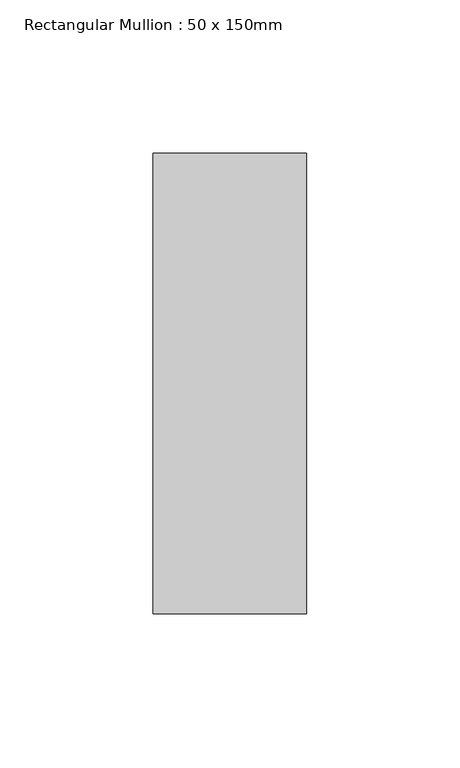
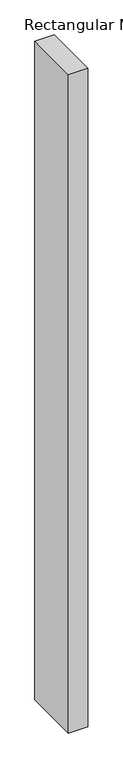
"""IFC4 building model written with IfcOpenShell, lengths in millimetres: member geometry, Rectangular Mullion : 50 x 150mm."""

from ifc_helpers import new_model, si_unit, frame, origin, place, context, project, spatial, polyline, outline, extrude, source, transform, mapped, element, save


def rectangular_mullion_50_x_150mm_d5f3ab73(model_context):
    return source(origin(), model_context, "Body", "SweptSolid", [
        extrude(outline(polyline([(0.0, 75.0), (0.0, -75.0), (-50.0, -75.0), (-50.0, 75.0), (0.0, 75.0)])), frame((0.0, 0.0, -1797.9678648), z_axis=(0.0, 0.0, 1.0), x_axis=(1.0, 0.0, 0.0)), (0.0, 0.0, 1.0), 1797.9678648),
    ])


if __name__ == "__main__":
    model = new_model("IFC4")
    model_context = context("Model", 3, world=origin())
    ifc_project = project(units=[si_unit("LENGTHUNIT", "METRE", prefix="MILLI")], contexts=[model_context])
    site = spatial("IfcSite", under=ifc_project)
    building = spatial("IfcBuilding", under=site)
    placement = place(None, origin())
    rectangular_mullion_50_x_150mm_shape = rectangular_mullion_50_x_150mm_d5f3ab73(model_context)
    element("IfcMember", 1, ObjectType="Rectangular Mullion : 50 x 150mm", at=placement, inside=building, context=model_context, shape_type="MappedRepresentation", body=[
        mapped(rectangular_mullion_50_x_150mm_shape, transform((0.0, 0.0, 0.0), x_axis=(1.0, 0.0, 0.0), y_axis=(0.0, 1.0, 0.0), z_axis=(0.0, 0.0, 1.0))),
    ])
    save(model, "model.ifc")
